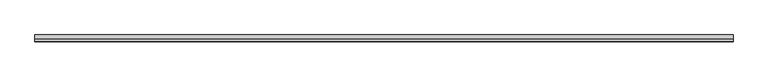
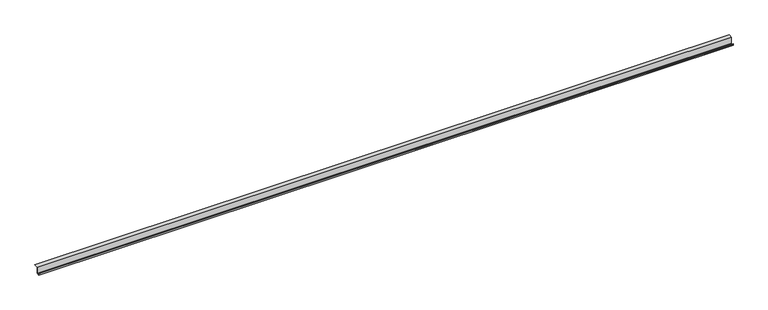
"""IFC4 building model written with IfcOpenShell, lengths in millimetres: proxy geometry."""

from ifc_helpers import new_model, si_unit, frame, origin, place, context, project, spatial, polyline, outline, extrude, source, transform, mapped, element, save


def generic_models_8fafaf75(model_context):
    return source(origin(), model_context, "Body", "SweptSolid", [
        extrude(outline(polyline([(15.8, 0.0), (0.0, 0.0), (0.0, 6.0), (0.8, 6.0), (0.8, 0.8), (15.0, 0.8), (15.0, 35.0), (35.0, 35.0), (35.0, 34.2), (15.8, 34.2), (15.8, 0.0)])), frame((0.0, 0.0, 0.0), z_axis=(1.0, 0.0, 0.0), x_axis=(0.0, 1.0, 0.0)), (0.0, 0.0, 1.0), 3600.0),
    ])


if __name__ == "__main__":
    model = new_model("IFC4")
    model_context = context("Model", 3, world=origin())
    ifc_project = project(units=[si_unit("LENGTHUNIT", "METRE", prefix="MILLI")], contexts=[model_context])
    site = spatial("IfcSite", under=ifc_project)
    building = spatial("IfcBuilding", under=site)
    placement = place(None, origin())
    generic_models_shape = generic_models_8fafaf75(model_context)
    element("IfcBuildingElementProxy", 1, Name="Generic Models", at=placement, inside=building, context=model_context, shape_type="MappedRepresentation", body=[
        mapped(generic_models_shape, transform((0.0, 0.0, 0.0), x_axis=(1.0, 0.0, 0.0), y_axis=(0.0, 1.0, 0.0), z_axis=(0.0, 0.0, 1.0))),
    ])
    save(model, "model.ifc")
